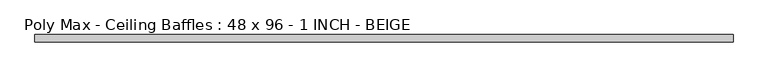
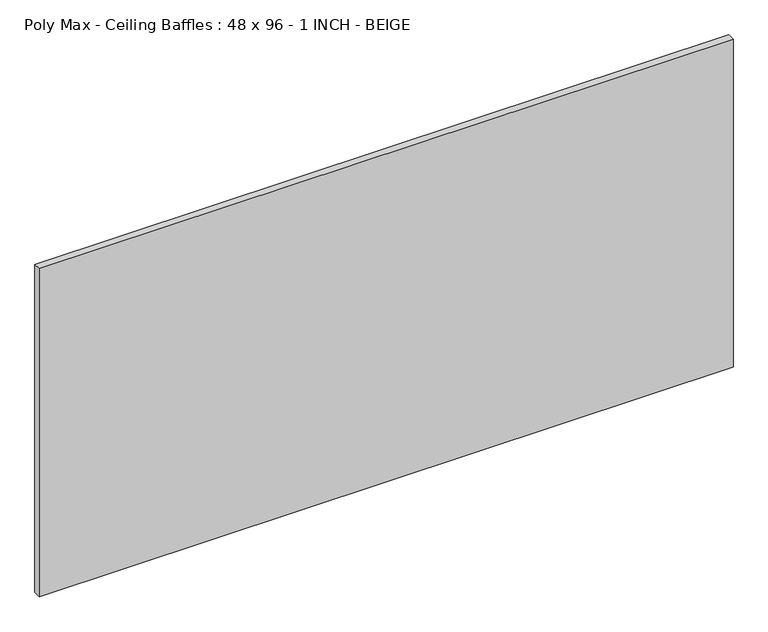
"""IFC4 building model written with IfcOpenShell, lengths in millimetres: proxy geometry, Poly Max - Ceiling Baffles : 48 x 96 - 1 INCH - BEIGE."""

from ifc_helpers import new_model, si_unit, origin, origin_with_axes, place, context, project, spatial, polyline, outline, extrude, source, transform, mapped, element, save


def poly_max_ceiling_baffles_48_x_96_1_inch_beige_1b47e075(model_context):
    return source(origin(), model_context, "Body", "SweptSolid", [
        extrude(outline(polyline([(1219.2, -25.4), (-1219.2, -25.4), (-1219.2, 0.0), (1219.2, 0.0), (1219.2, -25.4)])), origin_with_axes(), (0.0, 0.0, 1.0), 1219.2),
    ])


if __name__ == "__main__":
    model = new_model("IFC4")
    model_context = context("Model", 3, world=origin())
    ifc_project = project(units=[si_unit("LENGTHUNIT", "METRE", prefix="MILLI")], contexts=[model_context])
    site = spatial("IfcSite", under=ifc_project)
    building = spatial("IfcBuilding", under=site)
    placement = place(None, origin())
    poly_max_ceiling_baffles_48_x_96_1_inch_beige_shape = poly_max_ceiling_baffles_48_x_96_1_inch_beige_1b47e075(model_context)
    element("IfcBuildingElementProxy", 1, Name="Poly Max - Ceiling Baffles : 48 x 96 - 1 INCH - BEIGE", ObjectType="Poly Max - Ceiling Baffles : 48 x 96 - 1 INCH - BEIGE", at=placement, inside=building, context=model_context, shape_type="MappedRepresentation", body=[
        mapped(poly_max_ceiling_baffles_48_x_96_1_inch_beige_shape, transform((0.0, 0.0, 0.0), x_axis=(1.0, 0.0, 0.0), y_axis=(0.0, 1.0, 0.0), z_axis=(0.0, 0.0, 1.0))),
    ])
    save(model, "model.ifc")
